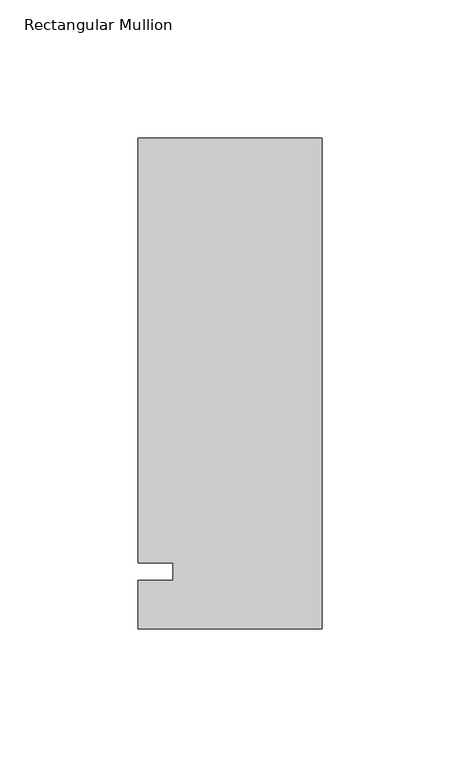
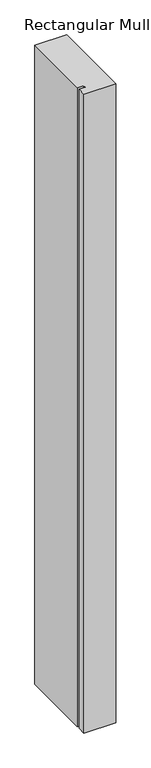
"""IFC4 building model written with IfcOpenShell, lengths in millimetres: member geometry, Rectangular Mullion."""

from ifc_helpers import new_model, si_unit, frame, origin, place, context, project, spatial, polyline, outline, extrude, source, transform, mapped, element, save


def rectangular_mullion_b2ce286a(model_context):
    return source(origin(), model_context, "Body", "SweptSolid", [
        extrude(outline(polyline([(-66.675, 157.1625), (0.0, 157.1625), (0.0, -20.6375), (-66.675, -20.6375), (-66.675, -3.175), (-53.9732296, -3.175), (-53.9732296, 3.175), (-66.675, 3.175), (-66.675, 157.1625)])), frame((0.0, 0.0, -1416.1510693), z_axis=(0.0, 0.0, 1.0), x_axis=(1.0, 0.0, 0.0)), (0.0, 0.0, 1.0), 1416.1510693),
    ])


if __name__ == "__main__":
    model = new_model("IFC4")
    model_context = context("Model", 3, world=origin())
    ifc_project = project(units=[si_unit("LENGTHUNIT", "METRE", prefix="MILLI")], contexts=[model_context])
    site = spatial("IfcSite", under=ifc_project)
    building = spatial("IfcBuilding", under=site)
    placement = place(None, origin())
    rectangular_mullion_shape = rectangular_mullion_b2ce286a(model_context)
    element("IfcMember", 1, ObjectType="Rectangular Mullion", at=placement, inside=building, context=model_context, shape_type="MappedRepresentation", body=[
        mapped(rectangular_mullion_shape, transform((0.0, 0.0, 0.0), x_axis=(1.0, 0.0, 0.0), y_axis=(0.0, 1.0, 0.0), z_axis=(0.0, 0.0, 1.0))),
    ])
    save(model, "model.ifc")
